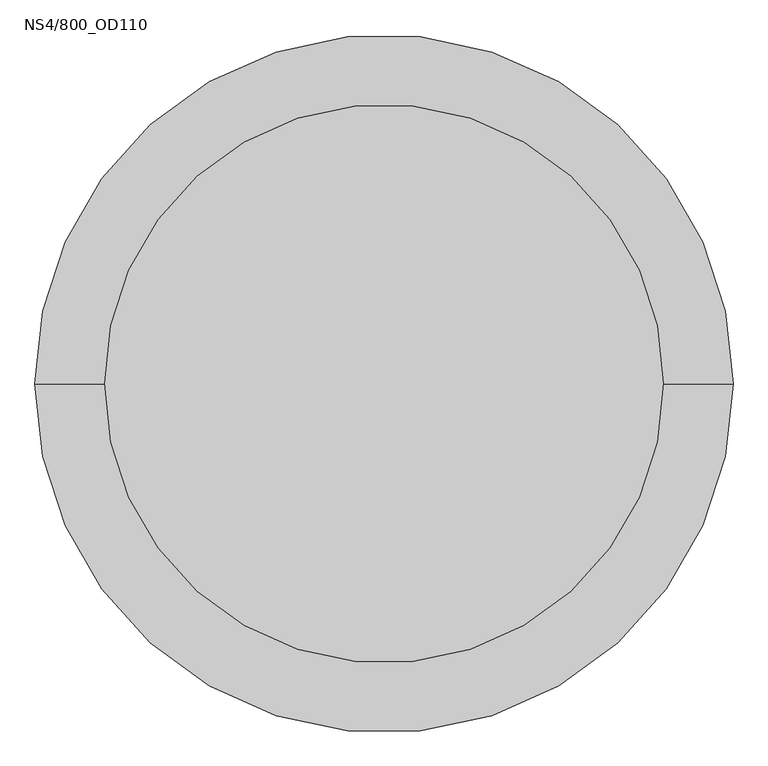
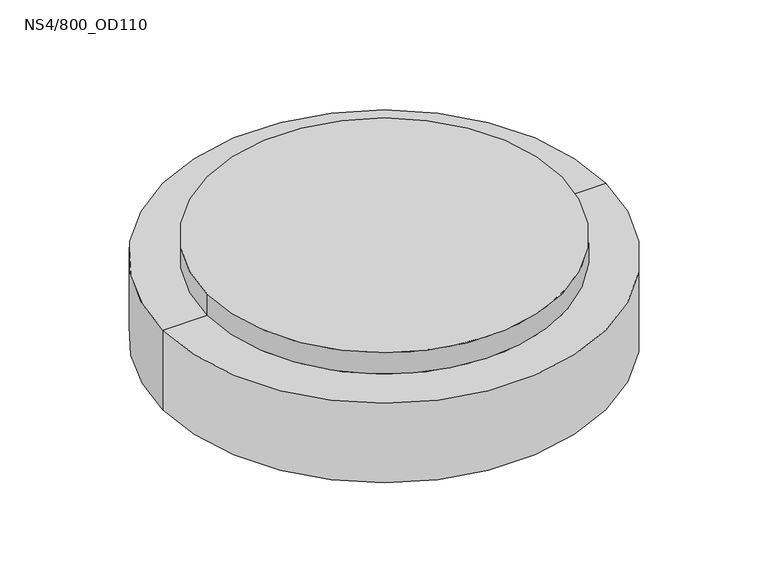
"""IFC4 building model written with IfcOpenShell, lengths in millimetres: proxy geometry, NS4/800_OD110."""

from ifc_helpers import new_model, si_unit, frame, origin, place, context, project, spatial, polyline, circle_curve, source, transform, mapped, element, save
from ifc_brep_helpers import plane_surface, cylinder_surface, revolved_surface, advanced_brep


def ns4_800_od110_4cac7537(model_context):
    return source(origin(), model_context, "Body", "AdvancedBrep", [
        advanced_brep(
        [(737.5, 0.0, -910.1822102), (-737.5, 0.0, -910.1822102), (-590.0, 0.0, -910.1822102), (590.0, 0.0, -910.1822102), (737.5, 0.0, -1190.1822102), (-737.5, 0.0, -1190.1822102), (677.5, 0.0, -1190.1822102), (-677.5, 0.0, -1190.1822102), (677.5, 0.0, -1110.1822102), (-677.5, 0.0, -1110.1822102), (0.0, 0.0, -1110.1822102), (-590.0, 0.0, -835.0), (590.0, 0.0, -835.0)],
        [
            (0, 1, circle_curve(frame((0.0, 0.0, -910.1822102), z_axis=(0.0, 0.0, 1.0), x_axis=(-1.0, 0.0, 0.0)), 737.5)),
            (1, 2),
            (2, 3, circle_curve(frame((0.0, 0.0, -910.1822102), z_axis=(0.0, 0.0, -1.0), x_axis=(1.0, 0.0, 0.0)), 590.0)),
            (3, 0),
            (1, 0, circle_curve(frame((0.0, 0.0, -910.1822102), z_axis=(0.0, 0.0, 1.0), x_axis=(-1.0, 0.0, 0.0)), 737.5)),
            (3, 2, circle_curve(frame((0.0, 0.0, -910.1822102), z_axis=(0.0, 0.0, -1.0), x_axis=(1.0, 0.0, 0.0)), 590.0)),
            (0, 4),
            (4, 5, circle_curve(frame((0.0, 0.0, -1190.1822102), z_axis=(0.0, 0.0, 1.0), x_axis=(-1.0, 0.0, 0.0)), 737.5)),
            (5, 1),
            (5, 4, circle_curve(frame((0.0, 0.0, -1190.1822102), z_axis=(0.0, 0.0, 1.0), x_axis=(-1.0, 0.0, 0.0)), 737.5)),
            (4, 6),
            (6, 7, circle_curve(frame((0.0, 0.0, -1190.1822102), z_axis=(0.0, 0.0, 1.0), x_axis=(-1.0, 0.0, 0.0)), 677.5)),
            (7, 5),
            (7, 6, circle_curve(frame((0.0, 0.0, -1190.1822102), z_axis=(0.0, 0.0, 1.0), x_axis=(-1.0, 0.0, 0.0)), 677.5)),
            (6, 8),
            (8, 9, circle_curve(frame((0.0, 0.0, -1110.1822102), z_axis=(0.0, 0.0, 1.0), x_axis=(-1.0, 0.0, 0.0)), 677.5)),
            (9, 7),
            (9, 8, circle_curve(frame((0.0, 0.0, -1110.1822102), z_axis=(0.0, 0.0, 1.0), x_axis=(-1.0, 0.0, 0.0)), 677.5)),
            (8, 10),
            (10, 9),
            (11, 12, circle_curve(frame((0.0, 0.0, -835.0), z_axis=(0.0, 0.0, 1.0), x_axis=(1.0, 0.0, 0.0)), 590.0)),
            (12, 11, circle_curve(frame((0.0, 0.0, -835.0), z_axis=(0.0, 0.0, 1.0), x_axis=(1.0, 0.0, 0.0)), 590.0)),
            (11, 2),
            (3, 12),
        ],
        [
            plane_surface(frame((0.0, 0.0, -910.1822102), z_axis=(0.0, 0.0, 1.0), x_axis=(-1.0, 0.0, 0.0))),
            cylinder_surface(frame((0.0, 0.0, -910.1822102), z_axis=(0.0, 0.0, -1.0), x_axis=(-1.0, 0.0, 0.0)), 737.5),
            plane_surface(frame((0.0, 0.0, -1190.1822102), z_axis=(0.0, 0.0, -1.0), x_axis=(-1.0, 0.0, 0.0))),
            revolved_surface(polyline([(-677.5, 0.0, -1190.1822102), (-677.5, 0.0, -1110.1822102)]), (0.0, 0.0, -910.1822102), (0.0, 0.0, -1.0)),
            plane_surface(frame((0.0, 0.0, -1110.1822102), z_axis=(0.0, 0.0, -1.0), x_axis=(-1.0, 0.0, 0.0))),
            plane_surface(frame((590.0, 0.0, -835.0), z_axis=(0.0, 0.0, 1.0), x_axis=(0.0, 1.0, 0.0))),
            cylinder_surface(frame((0.0, 0.0, -910.1822102), z_axis=(0.0, 0.0, 1.0), x_axis=(1.0, 0.0, 0.0)), 590.0),
        ],
        [
            (0, [[1, 2, 3, 4]]),
            (0, [[5, -4, 6, -2]]),
            (1, [[-1, 7, 8, 9]]),
            (1, [[-5, -9, 10, -7]]),
            (2, [[-8, 11, 12, 13]]),
            (2, [[-10, -13, 14, -11]]),
            (3, [[-12, 15, 16, 17]]),
            (3, [[-14, -17, 18, -15]]),
            (4, [[-16, 19, 20]]),
            (4, [[-18, -20, -19]]),
            (5, [[21, 22]]),
            (6, [[-21, 23, -6, 24]]),
            (6, [[-22, -24, -3, -23]]),
        ],
    ),
    ])


if __name__ == "__main__":
    model = new_model("IFC4")
    model_context = context("Model", 3, world=origin())
    ifc_project = project(units=[si_unit("LENGTHUNIT", "METRE", prefix="MILLI")], contexts=[model_context])
    site = spatial("IfcSite", under=ifc_project)
    building = spatial("IfcBuilding", under=site)
    placement = place(None, origin())
    ns4_800_od110_shape = ns4_800_od110_4cac7537(model_context)
    element("IfcBuildingElementProxy", 1, Name="NS4/800_OD110", ObjectType="NS4/800_OD110", at=placement, inside=building, context=model_context, shape_type="MappedRepresentation", body=[
        mapped(ns4_800_od110_shape, transform((0.0, 0.0, 0.0), x_axis=(1.0, 0.0, 0.0), y_axis=(0.0, 1.0, 0.0), z_axis=(0.0, 0.0, 1.0))),
    ])
    save(model, "model.ifc")
